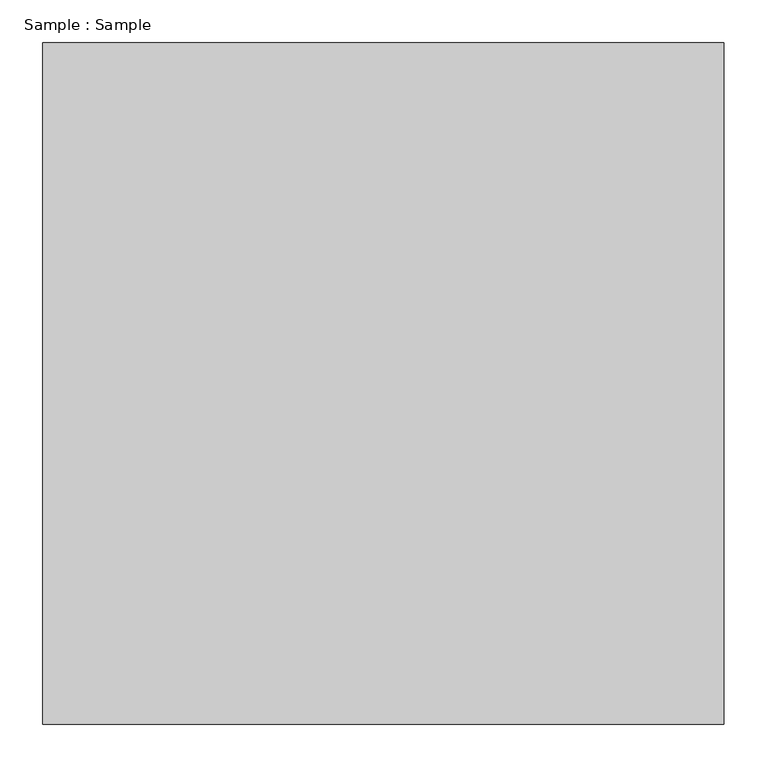
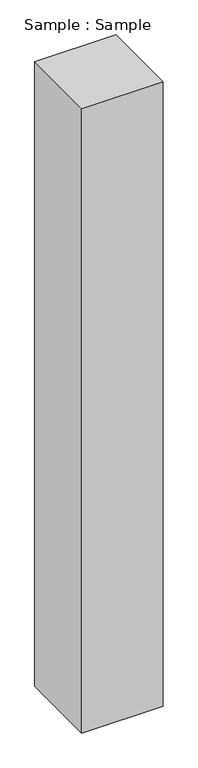
"""IFC4 building model written with IfcOpenShell, lengths in millimetres: proxy geometry, Sample : Sample."""

from ifc_helpers import new_model, si_unit, origin, origin_with_axes, place, context, project, spatial, polyline, outline, extrude, source, transform, mapped, element, save


def sample_sample_6fd8ce60(model_context):
    return source(origin(), model_context, "Body", "SweptSolid", [
        extrude(outline(polyline([(400.0, 400.0), (400.0, -400.0), (-400.0, -400.0), (-400.0, 400.0), (400.0, 400.0)])), origin_with_axes(), (0.0, 0.0, 1.0), 6482.7586207),
    ])


if __name__ == "__main__":
    model = new_model("IFC4")
    model_context = context("Model", 3, world=origin())
    ifc_project = project(units=[si_unit("LENGTHUNIT", "METRE", prefix="MILLI")], contexts=[model_context])
    site = spatial("IfcSite", under=ifc_project)
    building = spatial("IfcBuilding", under=site)
    placement = place(None, origin())
    sample_sample_shape = sample_sample_6fd8ce60(model_context)
    element("IfcBuildingElementProxy", 1, Name="Sample : Sample", ObjectType="Sample : Sample", at=placement, inside=building, context=model_context, shape_type="MappedRepresentation", body=[
        mapped(sample_sample_shape, transform((0.0, 0.0, 0.0), x_axis=(1.0, 0.0, 0.0), y_axis=(0.0, 1.0, 0.0), z_axis=(0.0, 0.0, 1.0))),
    ])
    save(model, "model.ifc")
